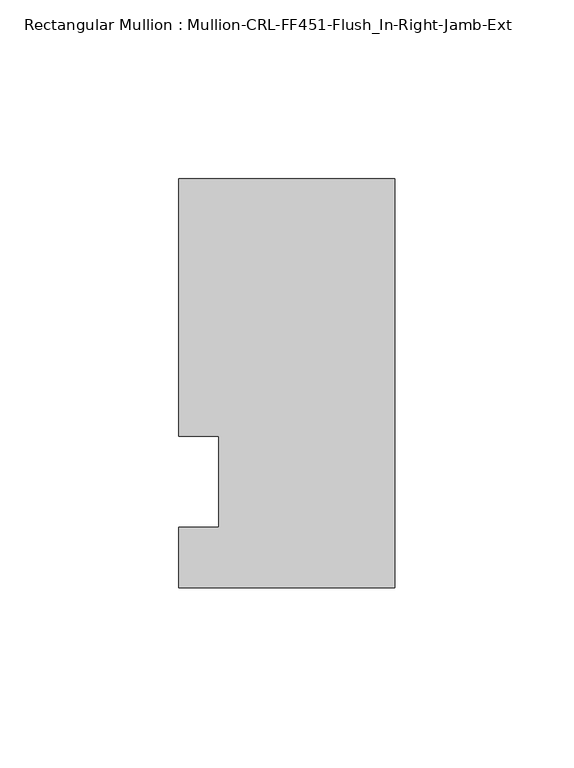
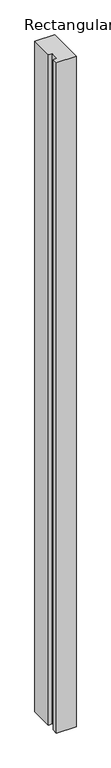
"""IFC4 building model written with IfcOpenShell, lengths in millimetres: member geometry, Rectangular Mullion : Mullion-CRL-FF451-Flush_In-Right-Jamb-Ext."""

import ifcopenshell
import ifcopenshell.guid

model = None  # the IFC model being written
_history = None  # IfcOwnerHistory: only IFC2X3 demands one
_inside = {}  # id of a spatial element -> (the spatial element, [elements in it])
_under = {}  # id of a project, library or spatial element -> (it, [spatial elements below it])
_declared = {}  # id of a project -> (the project, [libraries it declares])
_typed = {}  # id of a type object -> (the type object, [elements of that type])
_made_of = {}  # id of a material, layer set ... -> (it, [elements and type objects made of it])


def new_model(schema):
    """Start an empty IFC model of exactly this schema.

    Asked for "IFC4X3", IfcOpenShell would pick the latest addendum, in which some entities
    have other attributes; the version numbers below select the first issue.
    IFC2X3 requires an IfcOwnerHistory on every rooted entity: one is made here for all.
    """
    global model, _history
    if schema == "IFC4X3":
        model = ifcopenshell.file(schema_version=(4, 3, 0, 0))
    else:
        model = ifcopenshell.file(schema=schema)
    _inside.clear()
    _under.clear()
    _declared.clear()
    _typed.clear()
    _made_of.clear()
    _history = None
    if model.schema == "IFC2X3":
        org = make("IfcOrganization", Name="unknown")
        user = make(
            "IfcPersonAndOrganization",
            ThePerson=make("IfcPerson", FamilyName="unknown"),
            TheOrganization=org,
        )
        app = make(
            "IfcApplication",
            ApplicationDeveloper=org,
            Version="unknown",
            ApplicationFullName="unknown",
            ApplicationIdentifier="unknown",
        )
        _history = make(
            "IfcOwnerHistory",
            OwningUser=user,
            OwningApplication=app,
            ChangeAction="ADDED",
            CreationDate=0,
        )
    return model


def make(cls, **values):
    """One entity of the class cls with the attributes given. An attribute that is None is left unset."""
    return model.create_entity(
        cls, **{name: value for name, value in values.items() if value is not None}
    )


def rooted(cls, **values):
    """An entity with a GlobalId (a new one), such as an element, a storey or a relation."""
    return make(cls, GlobalId=ifcopenshell.guid.new(), OwnerHistory=_history, **values)


def si_unit(unit_type, name, prefix=None):
    """IfcSIUnit, for example si_unit("LENGTHUNIT", "METRE", prefix="MILLI")."""
    return make("IfcSIUnit", UnitType=unit_type, Prefix=prefix, Name=name)


def assignment(units):
    """IfcUnitAssignment: the units of a project."""
    return None if units is None else make("IfcUnitAssignment", Units=units)


def point(xyz):
    """IfcCartesianPoint."""
    return None if xyz is None else make("IfcCartesianPoint", Coordinates=xyz)


def direction(xyz):
    """IfcDirection."""
    return None if xyz is None else make("IfcDirection", DirectionRatios=xyz)


def frame(location, z_axis=None, x_axis=None):
    """IfcAxis2Placement3D, a coordinate frame: its origin and axes. An axis left out is left unset."""
    return make(
        "IfcAxis2Placement3D",
        Location=point(location),
        Axis=direction(z_axis),
        RefDirection=direction(x_axis),
    )


def origin():
    """The frame at (0, 0, 0) with its axes left unset."""
    return frame((0.0, 0.0, 0.0))


def place(relative_to, where):
    """IfcLocalPlacement: puts the frame where relative to a parent placement (None: the world)."""
    return make(
        "IfcLocalPlacement", PlacementRelTo=relative_to, RelativePlacement=where
    )


def context(
    kind, dimensions, precision=None, world=None, true_north=None, identifier=None
):
    """IfcGeometricRepresentationContext, for example the 3D "Model" context."""
    return make(
        "IfcGeometricRepresentationContext",
        ContextIdentifier=identifier,
        ContextType=kind,
        CoordinateSpaceDimension=dimensions,
        Precision=precision,
        WorldCoordinateSystem=world,
        TrueNorth=true_north,
    )


def project(units=None, contexts=None):
    """IfcProject with its units and contexts."""
    return rooted(
        "IfcProject",
        Name="project",
        RepresentationContexts=contexts,
        UnitsInContext=assignment(units),
    )


def spatial(cls, under=None, at=None, **own):
    """A site, building, storey or space (cls), placed at a placement, below another one or the project."""
    s = rooted(cls, ObjectPlacement=at, **own)
    if under is not None:
        _under.setdefault(under.id(), (under, []))[1].append(s)
    return s


def polyline(points):
    """IfcPolyline through the points."""
    return make("IfcPolyline", Points=[point(p) for p in points])


def outline(outer, holes=None, kind="AREA"):
    """IfcArbitraryClosedProfileDef: a profile drawn as a closed curve; with holes, ...WithVoids."""
    if holes is None:
        return make("IfcArbitraryClosedProfileDef", ProfileType=kind, OuterCurve=outer)
    return make(
        "IfcArbitraryProfileDefWithVoids",
        ProfileType=kind,
        OuterCurve=outer,
        InnerCurves=holes,
    )


def extrude(swept, where, along, depth):
    """IfcExtrudedAreaSolid: the profile swept, set in the frame where, extruded along a direction by depth."""
    return make(
        "IfcExtrudedAreaSolid",
        SweptArea=swept,
        Position=where,
        ExtrudedDirection=direction(along),
        Depth=depth,
    )


def shape(context_of_items, identifier, shape_type, items):
    """IfcShapeRepresentation: the items that make up one representation, for example the "Body"."""
    return make(
        "IfcShapeRepresentation",
        ContextOfItems=context_of_items,
        RepresentationIdentifier=identifier,
        RepresentationType=shape_type,
        Items=items,
    )


def source(mapping_origin, context_of_items, identifier, shape_type, items):
    """IfcRepresentationMap: a shape defined once, which mapped items show again and again."""
    return make(
        "IfcRepresentationMap",
        MappingOrigin=mapping_origin,
        MappedRepresentation=shape(context_of_items, identifier, shape_type, items),
    )


def transform(
    local_origin,
    x_axis=None,
    y_axis=None,
    z_axis=None,
    scale=None,
    scale2=None,
    scale3=None,
    uniform=True,
):
    """IfcCartesianTransformationOperator3D, or its non-uniform kind. x_axis, y_axis, z_axis: its Axis1, 2, 3."""
    if uniform:
        return make(
            "IfcCartesianTransformationOperator3D",
            Axis1=direction(x_axis),
            Axis2=direction(y_axis),
            LocalOrigin=point(local_origin),
            Scale=scale,
            Axis3=direction(z_axis),
        )
    return make(
        "IfcCartesianTransformationOperator3DnonUniform",
        Axis1=direction(x_axis),
        Axis2=direction(y_axis),
        LocalOrigin=point(local_origin),
        Scale=scale,
        Axis3=direction(z_axis),
        Scale2=scale2,
        Scale3=scale3,
    )


def mapped(mapping_source, mapping_target):
    """IfcMappedItem: shows the shape of a source again, moved by a transform."""
    return make(
        "IfcMappedItem", MappingSource=mapping_source, MappingTarget=mapping_target
    )


def made_of(thing, what):
    """Note that an element or type object is made of a material, layer set ...; save() writes the relation."""
    if what is not None:
        _made_of.setdefault(what.id(), (what, []))[1].append(thing)
    return thing


def element(
    cls,
    number,
    at=None,
    inside=None,
    cuts=None,
    type_object=None,
    material=None,
    context=None,
    identifier="Body",
    shape_type=None,
    held_by="IfcProductDefinitionShape",
    body=None,
    shapes=None,
    **own,
):
    """One element of the class cls, such as IfcWall. Its Tag is "e" and its number.

    at: its placement. inside: the storey or other place that contains it. cuts: it is an
    opening in that element (IfcRelVoidsElement). A single representation is given by context,
    identifier, shape_type and body (its items); several are given by shapes. held_by: the class
    of the entity that holds the representations. save() writes the other relations.
    """
    e = rooted(cls, Tag="e%d" % number, ObjectPlacement=at, **own)
    if body is not None:
        shapes = [shape(context, identifier, shape_type, body)]
    if shapes is not None:
        e.Representation = make(held_by, Representations=shapes)
    if inside is not None:
        _inside.setdefault(inside.id(), (inside, []))[1].append(e)
    if cuts is not None:
        rooted(
            "IfcRelVoidsElement", RelatingBuildingElement=cuts, RelatedOpeningElement=e
        )
    if type_object is not None:
        _typed.setdefault(type_object.id(), (type_object, []))[1].append(e)
    return made_of(e, material)


def aggregate(whole, parts):
    """IfcRelAggregates: a whole, such as a stair, and the parts it consists of."""
    return rooted("IfcRelAggregates", RelatingObject=whole, RelatedObjects=parts)


def save(model, path):
    """Write the relations noted so far, then the file.

    IfcRelAggregates (storeys below a building ...), IfcRelContainedInSpatialStructure (elements
    in a storey), IfcRelDefinesByType, IfcRelAssociatesMaterial and IfcRelDeclares: one each for
    every whole, place, type object, material and project.
    """
    for whole, parts in _under.values():
        aggregate(whole, parts)
    for where, things in _inside.values():
        rooted(
            "IfcRelContainedInSpatialStructure",
            RelatedElements=things,
            RelatingStructure=where,
        )
    for kind, things in _typed.values():
        rooted("IfcRelDefinesByType", RelatedObjects=things, RelatingType=kind)
    for what, things in _made_of.values():
        rooted("IfcRelAssociatesMaterial", RelatedObjects=things, RelatingMaterial=what)
    for by, libraries in _declared.values():
        rooted("IfcRelDeclares", RelatingContext=by, RelatedDefinitions=libraries)
    model.write(path)


def rectangular_mullion_mullion_crl_ff451_flush_in_right_jamb_722ff474(model_context):
    return source(origin(), model_context, "Body", "SweptSolid", [
        extrude(outline(polyline([(-60.362207, 84.6545868), (0.0, 84.6545868), (0.0, -29.6454132), (-60.362207, -29.6454132), (-60.362207, -12.7), (-49.222241, -12.7), (-49.222241, 12.7), (-60.362207, 12.7), (-60.362207, 84.6545868)])), frame((0.0, 0.0, -2174.875), z_axis=(0.0, 0.0, 1.0), x_axis=(1.0, 0.0, 0.0)), (0.0, 0.0, 1.0), 2174.875),
    ])


if __name__ == "__main__":
    model = new_model("IFC4")
    model_context = context("Model", 3, world=origin())
    ifc_project = project(units=[si_unit("LENGTHUNIT", "METRE", prefix="MILLI")], contexts=[model_context])
    site = spatial("IfcSite", under=ifc_project)
    building = spatial("IfcBuilding", under=site)
    placement = place(None, origin())
    rectangular_mullion_mullion_crl_ff451_flush_in_right_jamb_shape = rectangular_mullion_mullion_crl_ff451_flush_in_right_jamb_722ff474(model_context)
    element("IfcMember", 1, ObjectType="Rectangular Mullion : Mullion-CRL-FF451-Flush_In-Right-Jamb-Ext", at=placement, inside=building, context=model_context, shape_type="MappedRepresentation", body=[
        mapped(rectangular_mullion_mullion_crl_ff451_flush_in_right_jamb_shape, transform((0.0, 0.0, 0.0), x_axis=(1.0, 0.0, 0.0), y_axis=(0.0, 1.0, 0.0), z_axis=(0.0, 0.0, 1.0))),
    ])
    save(model, "model.ifc")
